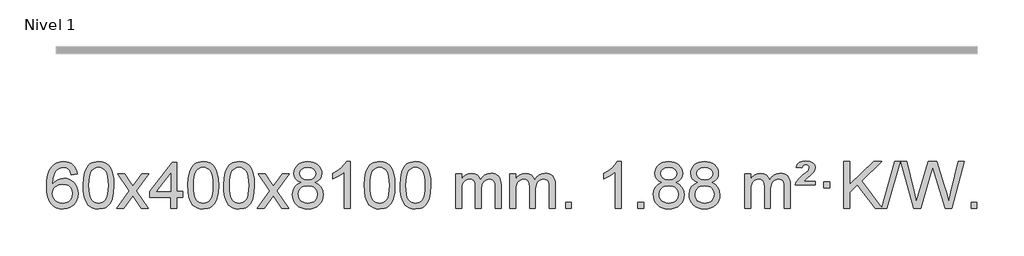
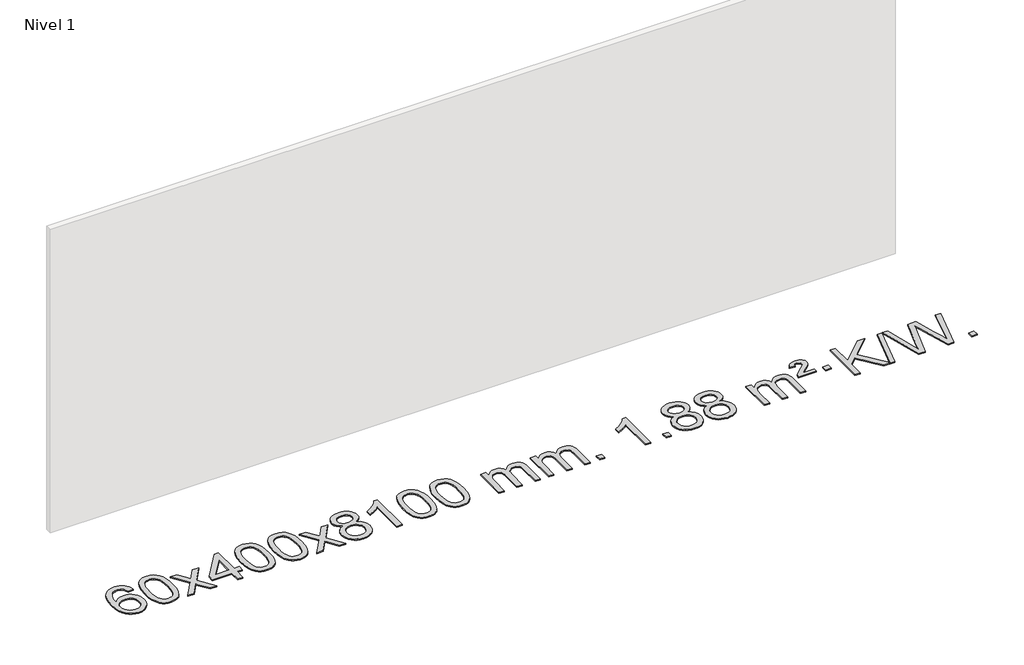
# One storey, part 6 of 18: 1 proxy.
"""IFC4 building model written with IfcOpenShell, lengths in millimetres."""

import ifcopenshell
import ifcopenshell.guid

model = None  # the IFC model being written
_history = None  # IfcOwnerHistory: only IFC2X3 demands one
_inside = {}  # id of a spatial element -> (the spatial element, [elements in it])
_under = {}  # id of a project, library or spatial element -> (it, [spatial elements below it])
_declared = {}  # id of a project -> (the project, [libraries it declares])
_typed = {}  # id of a type object -> (the type object, [elements of that type])
_made_of = {}  # id of a material, layer set ... -> (it, [elements and type objects made of it])


def new_model(schema):
    """Start an empty IFC model of exactly this schema.

    Asked for "IFC4X3", IfcOpenShell would pick the latest addendum, in which some entities
    have other attributes; the version numbers below select the first issue.
    IFC2X3 requires an IfcOwnerHistory on every rooted entity: one is made here for all.
    """
    global model, _history
    if schema == "IFC4X3":
        model = ifcopenshell.file(schema_version=(4, 3, 0, 0))
    else:
        model = ifcopenshell.file(schema=schema)
    _inside.clear()
    _under.clear()
    _declared.clear()
    _typed.clear()
    _made_of.clear()
    _history = None
    if model.schema == "IFC2X3":
        org = make("IfcOrganization", Name="unknown")
        user = make(
            "IfcPersonAndOrganization",
            ThePerson=make("IfcPerson", FamilyName="unknown"),
            TheOrganization=org,
        )
        app = make(
            "IfcApplication",
            ApplicationDeveloper=org,
            Version="unknown",
            ApplicationFullName="unknown",
            ApplicationIdentifier="unknown",
        )
        _history = make(
            "IfcOwnerHistory",
            OwningUser=user,
            OwningApplication=app,
            ChangeAction="ADDED",
            CreationDate=0,
        )
    return model


def make(cls, **values):
    """One entity of the class cls with the attributes given. An attribute that is None is left unset."""
    return model.create_entity(
        cls, **{name: value for name, value in values.items() if value is not None}
    )


def rooted(cls, **values):
    """An entity with a GlobalId (a new one), such as an element, a storey or a relation."""
    return make(cls, GlobalId=ifcopenshell.guid.new(), OwnerHistory=_history, **values)


def si_unit(unit_type, name, prefix=None):
    """IfcSIUnit, for example si_unit("LENGTHUNIT", "METRE", prefix="MILLI")."""
    return make("IfcSIUnit", UnitType=unit_type, Prefix=prefix, Name=name)


def assignment(units):
    """IfcUnitAssignment: the units of a project."""
    return None if units is None else make("IfcUnitAssignment", Units=units)


def point(xyz):
    """IfcCartesianPoint."""
    return None if xyz is None else make("IfcCartesianPoint", Coordinates=xyz)


def direction(xyz):
    """IfcDirection."""
    return None if xyz is None else make("IfcDirection", DirectionRatios=xyz)


def frame(location, z_axis=None, x_axis=None):
    """IfcAxis2Placement3D, a coordinate frame: its origin and axes. An axis left out is left unset."""
    return make(
        "IfcAxis2Placement3D",
        Location=point(location),
        Axis=direction(z_axis),
        RefDirection=direction(x_axis),
    )


def origin():
    """The frame at (0, 0, 0) with its axes left unset."""
    return frame((0.0, 0.0, 0.0))


def origin_with_axes():
    """The frame at (0, 0, 0) with the z axis (0, 0, 1) and the x axis (1, 0, 0) written out."""
    return frame((0.0, 0.0, 0.0), z_axis=(0.0, 0.0, 1.0), x_axis=(1.0, 0.0, 0.0))


def place(relative_to, where):
    """IfcLocalPlacement: puts the frame where relative to a parent placement (None: the world)."""
    return make(
        "IfcLocalPlacement", PlacementRelTo=relative_to, RelativePlacement=where
    )


def context(
    kind, dimensions, precision=None, world=None, true_north=None, identifier=None
):
    """IfcGeometricRepresentationContext, for example the 3D "Model" context."""
    return make(
        "IfcGeometricRepresentationContext",
        ContextIdentifier=identifier,
        ContextType=kind,
        CoordinateSpaceDimension=dimensions,
        Precision=precision,
        WorldCoordinateSystem=world,
        TrueNorth=true_north,
    )


def project(units=None, contexts=None):
    """IfcProject with its units and contexts."""
    return rooted(
        "IfcProject",
        Name="project",
        RepresentationContexts=contexts,
        UnitsInContext=assignment(units),
    )


def spatial(cls, under=None, at=None, **own):
    """A site, building, storey or space (cls), placed at a placement, below another one or the project."""
    s = rooted(cls, ObjectPlacement=at, **own)
    if under is not None:
        _under.setdefault(under.id(), (under, []))[1].append(s)
    return s


def polyline(points):
    """IfcPolyline through the points."""
    return make("IfcPolyline", Points=[point(p) for p in points])


def outline(outer, holes=None, kind="AREA"):
    """IfcArbitraryClosedProfileDef: a profile drawn as a closed curve; with holes, ...WithVoids."""
    if holes is None:
        return make("IfcArbitraryClosedProfileDef", ProfileType=kind, OuterCurve=outer)
    return make(
        "IfcArbitraryProfileDefWithVoids",
        ProfileType=kind,
        OuterCurve=outer,
        InnerCurves=holes,
    )


def extrude(swept, where, along, depth):
    """IfcExtrudedAreaSolid: the profile swept, set in the frame where, extruded along a direction by depth."""
    return make(
        "IfcExtrudedAreaSolid",
        SweptArea=swept,
        Position=where,
        ExtrudedDirection=direction(along),
        Depth=depth,
    )


def shape(context_of_items, identifier, shape_type, items):
    """IfcShapeRepresentation: the items that make up one representation, for example the "Body"."""
    return make(
        "IfcShapeRepresentation",
        ContextOfItems=context_of_items,
        RepresentationIdentifier=identifier,
        RepresentationType=shape_type,
        Items=items,
    )


def made_of(thing, what):
    """Note that an element or type object is made of a material, layer set ...; save() writes the relation."""
    if what is not None:
        _made_of.setdefault(what.id(), (what, []))[1].append(thing)
    return thing


def element(
    cls,
    number,
    at=None,
    inside=None,
    cuts=None,
    type_object=None,
    material=None,
    context=None,
    identifier="Body",
    shape_type=None,
    held_by="IfcProductDefinitionShape",
    body=None,
    shapes=None,
    **own,
):
    """One element of the class cls, such as IfcWall. Its Tag is "e" and its number.

    at: its placement. inside: the storey or other place that contains it. cuts: it is an
    opening in that element (IfcRelVoidsElement). A single representation is given by context,
    identifier, shape_type and body (its items); several are given by shapes. held_by: the class
    of the entity that holds the representations. save() writes the other relations.
    """
    e = rooted(cls, Tag="e%d" % number, ObjectPlacement=at, **own)
    if body is not None:
        shapes = [shape(context, identifier, shape_type, body)]
    if shapes is not None:
        e.Representation = make(held_by, Representations=shapes)
    if inside is not None:
        _inside.setdefault(inside.id(), (inside, []))[1].append(e)
    if cuts is not None:
        rooted(
            "IfcRelVoidsElement", RelatingBuildingElement=cuts, RelatedOpeningElement=e
        )
    if type_object is not None:
        _typed.setdefault(type_object.id(), (type_object, []))[1].append(e)
    return made_of(e, material)


def aggregate(whole, parts):
    """IfcRelAggregates: a whole, such as a stair, and the parts it consists of."""
    return rooted("IfcRelAggregates", RelatingObject=whole, RelatedObjects=parts)


def save(model, path):
    """Write the relations noted so far, then the file.

    IfcRelAggregates (storeys below a building ...), IfcRelContainedInSpatialStructure (elements
    in a storey), IfcRelDefinesByType, IfcRelAssociatesMaterial and IfcRelDeclares: one each for
    every whole, place, type object, material and project.
    """
    for whole, parts in _under.values():
        aggregate(whole, parts)
    for where, things in _inside.values():
        rooted(
            "IfcRelContainedInSpatialStructure",
            RelatedElements=things,
            RelatingStructure=where,
        )
    for kind, things in _typed.values():
        rooted("IfcRelDefinesByType", RelatedObjects=things, RelatingType=kind)
    for what, things in _made_of.values():
        rooted("IfcRelAssociatesMaterial", RelatedObjects=things, RelatingMaterial=what)
    for by, libraries in _declared.values():
        rooted("IfcRelDeclares", RelatingContext=by, RelatedDefinitions=libraries)
    model.write(path)


model = new_model("IFC4")

# Units and contexts
model_context = context("Model", 3, world=origin())
ifc_project = project(units=[si_unit("LENGTHUNIT", "METRE", prefix="MILLI")], contexts=[model_context])

# Site, building, storey
site = spatial("IfcSite", under=ifc_project)
building = spatial("IfcBuilding", under=site)
storey = spatial("IfcBuildingStorey", under=building, Name="Nivel 1", Elevation=0.0)

# Proxy
placement = place(None, origin())
element("IfcBuildingElementProxy", 1, Name="Texto de modelo 1", ObjectType="Texto de modelo 1", at=placement, inside=storey, context=model_context, shape_type="SweptSolid", body=[
    extrude(outline(polyline([(-25652.5741406, -6125.4890419), (-25702.8022957, -6131.7675613), (-25710.8956996, -6106.874213), (-25721.8340576, -6089.8780648), (-25744.6182158, -6074.2062918), (-25772.1603145, -6068.9823675), (-25795.5085585, -6072.0235253), (-25817.4833763, -6081.1469988), (-25836.3557227, -6100.3627017), (-25851.7699783, -6126.8134171), (-25862.1810387, -6164.227016), (-25866.0437997, -6216.3313693), (-25845.8961291, -6192.8237098), (-25821.7508075, -6176.2567573), (-25794.9567355, -6166.434308), (-25766.8628138, -6163.1601582), (-25742.7297549, -6165.398107), (-25720.4606315, -6172.1119534), (-25700.0554435, -6183.3016975), (-25681.5141909, -6198.9673391), (-25666.1060667, -6218.1769106), (-25655.1002637, -6239.9984443), (-25648.4967818, -6264.4319401), (-25646.2956212, -6291.4773982), (-25650.440425, -6327.4439945), (-25662.8748365, -6360.786366), (-25682.568786, -6389.0642287), (-25708.4922039, -6409.8372987), (-25739.4678679, -6422.602804), (-25774.3185556, -6426.8579724), (-25804.2610843, -6424.0375437), (-25831.3034766, -6415.5762579), (-25855.4457325, -6401.4741147), (-25876.6878521, -6381.7311143), (-25894.005897, -6355.5133908), (-25906.3759291, -6321.9870783), (-25913.7979483, -6281.1521768), (-25916.2719548, -6233.0086864), (-25913.5251025, -6179.0342663), (-25905.2845458, -6132.9693092), (-25891.5502847, -6094.8138149), (-25872.3223191, -6064.5677835), (-25851.481804, -6044.5243462), (-25827.3180883, -6030.2076052), (-25799.8311719, -6021.6175606), (-25769.0210548, -6018.7542124), (-25745.8874087, -6020.5261773), (-25724.9487918, -6025.8420722), (-25706.2052042, -6034.7018969), (-25689.6566457, -6047.1056515), (-25675.7507063, -6062.6364031), (-25664.9349757, -6080.8772186), (-25657.2094538, -6101.8280983), (-25652.5741406, -6125.4890419)]), holes=[polyline([(-25866.0437997, -6290.6925832), (-25863.1375319, -6312.9494439), (-25854.4187286, -6334.2007605), (-25840.8806712, -6352.472233), (-25823.516641, -6365.7895612), (-25802.5596301, -6373.9197533), (-25778.2426302, -6376.6298173), (-25745.0964624, -6371.0134855), (-25731.1813259, -6363.9930708), (-25719.0381544, -6354.1644901), (-25709.188114, -6341.9262824), (-25702.1523708, -6327.6769865), (-25696.5237763, -6293.1451299), (-25702.0787944, -6259.9989621), (-25709.0225671, -6246.3781312), (-25718.7438488, -6234.725469), (-25730.9238085, -6225.3904634), (-25745.2436152, -6218.7226022), (-25780.3027693, -6213.3883133), (-25813.3998862, -6218.7226022), (-25841.0768749, -6234.725469), (-25851.9999045, -6246.2248471), (-25859.8020685, -6259.3858254), (-25864.4833669, -6274.2084042), (-25866.0437997, -6290.6925832)])]), origin_with_axes(), (0.0, 0.0, 1.0), 10.0),
    extrude(outline(polyline([(-25602.3459855, -6222.9041943), (-25598.6549029, -6158.5861588), (-25587.5816548, -6107.2911459), (-25569.236606, -6068.2343407), (-25557.378543, -6053.0009605), (-25543.730121, -6040.6309284), (-25528.2453547, -6031.0598651), (-25510.8782588, -6024.2233914), (-25470.4970785, -6018.7542124), (-25439.5459399, -6021.991574), (-25411.832163, -6031.7036586), (-25388.6555973, -6047.5103217), (-25371.3160926, -6069.0314184), (-25358.2194935, -6096.0830078), (-25347.7716449, -6128.4811488), (-25340.9290398, -6169.6226186), (-25338.6481714, -6222.9041943), (-25342.3024659, -6286.8543477), (-25353.2653493, -6338.0267333), (-25371.5000336, -6377.1203266), (-25383.3305054, -6392.3996922), (-25396.9697304, -6404.8341036), (-25412.4728908, -6414.4695462), (-25429.8951689, -6421.3520052), (-25470.4970785, -6426.8579724), (-25498.1618045, -6424.4667394), (-25522.6872709, -6417.2930405), (-25544.0734775, -6405.3368757), (-25562.3204245, -6388.5982449), (-25579.8316074, -6358.3399508), (-25592.3395953, -6320.6381776), (-25599.844388, -6275.4929255), (-25602.3459855, -6222.9041943)]), holes=[polyline([(-25552.1178305, -6222.8060924), (-25550.6463025, -6266.4706195), (-25546.2317185, -6301.8148822), (-25538.8740786, -6328.8388804), (-25528.5733828, -6347.5426142), (-25516.1144459, -6360.2682656), (-25502.2820829, -6369.3580165), (-25487.0762937, -6374.8118671), (-25470.4970785, -6376.6298173), (-25453.9178632, -6374.8057357), (-25438.7120741, -6369.3334911), (-25424.8797111, -6360.2130833), (-25412.4207742, -6347.4445124), (-25402.1200783, -6328.7101217), (-25394.7624384, -6301.6922549), (-25390.3478545, -6266.3909118), (-25388.8763265, -6222.8060924), (-25390.2988035, -6180.2973278), (-25394.5662347, -6145.5753989), (-25401.6786199, -6118.6403055), (-25411.6359592, -6099.4920476), (-25423.8864297, -6086.1440625), (-25437.8782082, -6076.6097875), (-25453.6112949, -6070.8892225), (-25471.0856897, -6068.9823675), (-25487.5790658, -6070.6623619), (-25502.5273375, -6075.7023452), (-25515.9305049, -6084.1023175), (-25527.7885679, -6095.8622786), (-25538.4326203, -6116.708925), (-25546.0355148, -6144.8151094), (-25550.5972516, -6180.1808319), (-25552.1178305, -6222.8060924)])]), origin_with_axes(), (0.0, 0.0, 1.0), 10.0),
    extrude(outline(polyline([(-25313.5340939, -6420.579453), (-25206.2106531, -6272.2494325), (-25307.2555745, -6125.4890419), (-25246.8248254, -6125.4890419), (-25198.0681983, -6196.122385), (-25175.3085655, -6229.4770192), (-25155.5900906, -6202.2047007), (-25100.0644348, -6125.4890419), (-25039.6336857, -6125.4890419), (-25145.7799041, -6272.2494325), (-25043.5577603, -6420.579453), (-25103.9885094, -6420.579453), (-25165.498379, -6331.4048574), (-25176.7800935, -6315.1199477), (-25253.1033448, -6420.579453), (-25313.5340939, -6420.579453)])), origin_with_axes(), (0.0, 0.0, 1.0), 10.0),
    extrude(outline(polyline([(-24848.9236594, -6420.579453), (-24848.9236594, -6326.4016622), (-25031.0007216, -6326.4016622), (-25031.0007216, -6276.1735072), (-24836.3666207, -6025.0327318), (-24798.6955043, -6025.0327318), (-24798.6955043, -6276.1735072), (-24748.4673493, -6276.1735072), (-24748.4673493, -6326.4016622), (-24798.6955043, -6326.4016622), (-24798.6955043, -6420.579453), (-24848.9236594, -6420.579453)]), holes=[polyline([(-24848.9236594, -6276.1735072), (-24848.9236594, -6120.9763561), (-24969.1965464, -6276.1735072), (-24848.9236594, -6276.1735072)])]), origin_with_axes(), (0.0, 0.0, 1.0), 10.0),
    extrude(outline(polyline([(-24704.5177136, -6222.9041943), (-24700.8266309, -6158.5861588), (-24689.7533828, -6107.2911459), (-24671.408334, -6068.2343407), (-24659.550271, -6053.0009605), (-24645.901849, -6040.6309284), (-24630.4170827, -6031.0598651), (-24613.0499869, -6024.2233914), (-24572.6688065, -6018.7542124), (-24541.717668, -6021.991574), (-24514.003891, -6031.7036586), (-24490.8273253, -6047.5103217), (-24473.4878206, -6069.0314184), (-24460.3912216, -6096.0830078), (-24449.9433729, -6128.4811488), (-24443.1007678, -6169.6226186), (-24440.8198994, -6222.9041943), (-24444.4741939, -6286.8543477), (-24455.4370774, -6338.0267333), (-24473.6717616, -6377.1203266), (-24485.5022334, -6392.3996922), (-24499.1414584, -6404.8341036), (-24514.6446188, -6414.4695462), (-24532.066897, -6421.3520052), (-24572.6688065, -6426.8579724), (-24600.3335326, -6424.4667394), (-24624.8589989, -6417.2930405), (-24646.2452055, -6405.3368757), (-24664.4921525, -6388.5982449), (-24682.0033355, -6358.3399508), (-24694.5113233, -6320.6381776), (-24702.016116, -6275.4929255), (-24704.5177136, -6222.9041943)]), holes=[polyline([(-24654.2895585, -6222.8060924), (-24652.8180305, -6266.4706195), (-24648.4034466, -6301.8148822), (-24641.0458067, -6328.8388804), (-24630.7451108, -6347.5426142), (-24618.2861739, -6360.2682656), (-24604.4538109, -6369.3580165), (-24589.2480218, -6374.8118671), (-24572.6688065, -6376.6298173), (-24556.0895913, -6374.8057357), (-24540.8838021, -6369.3334911), (-24527.0514391, -6360.2130833), (-24514.5925022, -6347.4445124), (-24504.2918063, -6328.7101217), (-24496.9341664, -6301.6922549), (-24492.5195825, -6266.3909118), (-24491.0480545, -6222.8060924), (-24492.4705316, -6180.2973278), (-24496.7379627, -6145.5753989), (-24503.8503479, -6118.6403055), (-24513.8076873, -6099.4920476), (-24526.0581577, -6086.1440625), (-24540.0499363, -6076.6097875), (-24555.7830229, -6070.8892225), (-24573.2574177, -6068.9823675), (-24589.7507938, -6070.6623619), (-24604.6990656, -6075.7023452), (-24618.1022329, -6084.1023175), (-24629.9602959, -6095.8622786), (-24640.6043483, -6116.708925), (-24648.2072429, -6144.8151094), (-24652.7689796, -6180.1808319), (-24654.2895585, -6222.8060924)])]), origin_with_axes(), (0.0, 0.0, 1.0), 10.0),
    extrude(outline(polyline([(-24396.8702638, -6222.9041943), (-24393.1791811, -6158.5861588), (-24382.105933, -6107.2911459), (-24363.7608842, -6068.2343407), (-24351.9028212, -6053.0009605), (-24338.2543992, -6040.6309284), (-24322.7696329, -6031.0598651), (-24305.402537, -6024.2233914), (-24265.0213567, -6018.7542124), (-24234.0702182, -6021.991574), (-24206.3564412, -6031.7036586), (-24183.1798755, -6047.5103217), (-24165.8403708, -6069.0314184), (-24152.7437718, -6096.0830078), (-24142.2959231, -6128.4811488), (-24135.453318, -6169.6226186), (-24133.1724496, -6222.9041943), (-24136.8267441, -6286.8543477), (-24147.7896275, -6338.0267333), (-24166.0243118, -6377.1203266), (-24177.8547836, -6392.3996922), (-24191.4940086, -6404.8341036), (-24206.997169, -6414.4695462), (-24224.4194471, -6421.3520052), (-24265.0213567, -6426.8579724), (-24292.6860827, -6424.4667394), (-24317.2115491, -6417.2930405), (-24338.5977557, -6405.3368757), (-24356.8447027, -6388.5982449), (-24374.3558856, -6358.3399508), (-24386.8638735, -6320.6381776), (-24394.3686662, -6275.4929255), (-24396.8702638, -6222.9041943)]), holes=[polyline([(-24346.6421087, -6222.8060924), (-24345.1705807, -6266.4706195), (-24340.7559968, -6301.8148822), (-24333.3983568, -6328.8388804), (-24323.097661, -6347.5426142), (-24310.6387241, -6360.2682656), (-24296.8063611, -6369.3580165), (-24281.6005719, -6374.8118671), (-24265.0213567, -6376.6298173), (-24248.4421414, -6374.8057357), (-24233.2363523, -6369.3334911), (-24219.4039893, -6360.2130833), (-24206.9450524, -6347.4445124), (-24196.6443565, -6328.7101217), (-24189.2867166, -6301.6922549), (-24184.8721327, -6266.3909118), (-24183.4006047, -6222.8060924), (-24184.8230817, -6180.2973278), (-24189.0905129, -6145.5753989), (-24196.2028981, -6118.6403055), (-24206.1602375, -6099.4920476), (-24218.4107079, -6086.1440625), (-24232.4024864, -6076.6097875), (-24248.1355731, -6070.8892225), (-24265.6099679, -6068.9823675), (-24282.103344, -6070.6623619), (-24297.0516157, -6075.7023452), (-24310.4547831, -6084.1023175), (-24322.3128461, -6095.8622786), (-24332.9568985, -6116.708925), (-24340.559793, -6144.8151094), (-24345.1215298, -6180.1808319), (-24346.6421087, -6222.8060924)])]), origin_with_axes(), (0.0, 0.0, 1.0), 10.0),
    extrude(outline(polyline([(-24108.0583721, -6420.579453), (-24000.7349313, -6272.2494325), (-24101.7798527, -6125.4890419), (-24041.3491036, -6125.4890419), (-23992.5924765, -6196.122385), (-23969.8328437, -6229.4770192), (-23950.1143688, -6202.2047007), (-23894.588713, -6125.4890419), (-23834.1579639, -6125.4890419), (-23940.3041823, -6272.2494325), (-23838.0820385, -6420.579453), (-23898.5127876, -6420.579453), (-23960.0226572, -6331.4048574), (-23971.3043717, -6315.1199477), (-24047.627623, -6420.579453), (-24108.0583721, -6420.579453)])), origin_with_axes(), (0.0, 0.0, 1.0), 10.0),
    extrude(outline(polyline([(-23733.50545, -6199.2616447), (-23760.3976239, -6186.0178929), (-23779.2699702, -6168.0652515), (-23790.4167947, -6145.7716026), (-23794.1324029, -6119.5048281), (-23792.1090519, -6099.0199324), (-23786.038999, -6080.2395565), (-23775.9222441, -6063.1637006), (-23761.7587873, -6047.7923645), (-23744.2292102, -6035.088173), (-23724.0140946, -6026.0137504), (-23701.1134404, -6020.5690969), (-23675.5272476, -6018.7542124), (-23649.8184275, -6020.6120165), (-23626.746095, -6026.1854287), (-23606.3102502, -6035.4744491), (-23588.510893, -6048.4790776), (-23574.0899188, -6064.1508506), (-23563.7892229, -6081.4413044), (-23557.6088054, -6100.3504389), (-23555.5486662, -6120.8782543), (-23559.2152235, -6146.2989001), (-23570.2148951, -6168.2124043), (-23588.6703085, -6186.0546811), (-23614.7040911, -6199.2616447), (-23583.7897407, -6215.1909351), (-23561.2876254, -6238.6495436), (-23547.565627, -6268.5092989), (-23542.9916275, -6303.6420295), (-23545.2602331, -6328.6947933), (-23552.06605, -6351.6628926), (-23563.4090782, -6372.5463272), (-23579.2893177, -6391.3450971), (-23598.8729025, -6406.88198), (-23621.325967, -6417.9797536), (-23646.648511, -6424.6384177), (-23674.8405346, -6426.8579724), (-23703.0325581, -6424.6292206), (-23728.3551021, -6417.9429654), (-23750.8081666, -6406.7992066), (-23770.3917514, -6391.1979443), (-23786.2719909, -6372.26735), (-23797.6150191, -6351.135595), (-23804.420836, -6327.8026795), (-23806.6894416, -6302.2686033), (-23801.9315012, -6265.7747094), (-23787.6576797, -6235.7555386), (-23764.6037414, -6213.2411605), (-23733.50545, -6199.2616447)]), holes=[polyline([(-23756.4612865, -6300.5027698), (-23754.3643592, -6319.7184726), (-23748.0735771, -6338.3210389), (-23736.4607687, -6354.5446349), (-23718.3977628, -6366.623427), (-23696.7663015, -6374.1282197), (-23674.4481271, -6376.6298173), (-23640.259627, -6371.3691048), (-23626.3659503, -6364.7932141), (-23614.6059892, -6355.5869672), (-23598.5663342, -6331.6869002), (-23593.2197826, -6302.0723996), (-23598.7380125, -6271.9551269), (-23615.2927023, -6247.5277625), (-23627.3714944, -6238.0854579), (-23641.5349513, -6231.3409547), (-23676.1158588, -6225.9453521), (-23709.8261123, -6231.2673783), (-23723.5634391, -6237.919911), (-23735.2222327, -6247.2334569), (-23751.1515231, -6271.1948375), (-23756.4612865, -6300.5027698)]), polyline([(-23743.9042478, -6120.9763561), (-23739.4528756, -6142.902123), (-23726.0987592, -6160.413306), (-23704.234306, -6171.8912243), (-23674.2519234, -6175.717197), (-23644.9685165, -6171.9157497), (-23623.4351571, -6160.5114079), (-23610.1914053, -6143.5888361), (-23605.7768213, -6123.232699), (-23610.3385581, -6102.1040098), (-23624.0237683, -6084.629615), (-23645.8514333, -6072.8941794), (-23674.8405346, -6068.9823675), (-23704.0135768, -6072.8083402), (-23725.8044536, -6084.2862585), (-23739.3792992, -6101.1107284), (-23743.9042478, -6120.9763561)])]), origin_with_axes(), (0.0, 0.0, 1.0), 10.0),
    extrude(outline(polyline([(-23310.6864103, -6420.579453), (-23360.9145653, -6420.579453), (-23360.9145653, -6107.4382987), (-23381.8838391, -6124.3976587), (-23408.49397, -6141.3324932), (-23461.3708755, -6166.6918254), (-23461.3708755, -6119.2105225), (-23421.9216629, -6097.7507395), (-23387.7454255, -6072.219729), (-23360.8042007, -6045.0700378), (-23343.0600258, -6018.7542124), (-23310.6864103, -6018.7542124), (-23310.6864103, -6420.579453)])), origin_with_axes(), (0.0, 0.0, 1.0), 10.0),
    extrude(outline(polyline([(-23191.394542, -6222.9041943), (-23187.7034593, -6158.5861588), (-23176.6302112, -6107.2911459), (-23158.2851624, -6068.2343407), (-23146.4270994, -6053.0009605), (-23132.7786774, -6040.6309284), (-23117.2939111, -6031.0598651), (-23099.9268152, -6024.2233914), (-23059.5456349, -6018.7542124), (-23028.5944964, -6021.991574), (-23000.8807194, -6031.7036586), (-22977.7041537, -6047.5103217), (-22960.364649, -6069.0314184), (-22947.26805, -6096.0830078), (-22936.8202013, -6128.4811488), (-22929.9775962, -6169.6226186), (-22927.6967278, -6222.9041943), (-22931.3510223, -6286.8543477), (-22942.3139058, -6338.0267333), (-22960.54859, -6377.1203266), (-22972.3790618, -6392.3996922), (-22986.0182868, -6404.8341036), (-23001.5214472, -6414.4695462), (-23018.9437253, -6421.3520052), (-23059.5456349, -6426.8579724), (-23087.2103609, -6424.4667394), (-23111.7358273, -6417.2930405), (-23133.1220339, -6405.3368757), (-23151.3689809, -6388.5982449), (-23168.8801639, -6358.3399508), (-23181.3881517, -6320.6381776), (-23188.8929444, -6275.4929255), (-23191.394542, -6222.9041943)]), holes=[polyline([(-23141.1663869, -6222.8060924), (-23139.6948589, -6266.4706195), (-23135.280275, -6301.8148822), (-23127.9226351, -6328.8388804), (-23117.6219392, -6347.5426142), (-23105.1630023, -6360.2682656), (-23091.3306393, -6369.3580165), (-23076.1248501, -6374.8118671), (-23059.5456349, -6376.6298173), (-23042.9664196, -6374.8057357), (-23027.7606305, -6369.3334911), (-23013.9282675, -6360.2130833), (-23001.4693306, -6347.4445124), (-22991.1686347, -6328.7101217), (-22983.8109948, -6301.6922549), (-22979.3964109, -6266.3909118), (-22977.9248829, -6222.8060924), (-22979.3473599, -6180.2973278), (-22983.6147911, -6145.5753989), (-22990.7271763, -6118.6403055), (-23000.6845157, -6099.4920476), (-23012.9349861, -6086.1440625), (-23026.9267646, -6076.6097875), (-23042.6598513, -6070.8892225), (-23060.1342461, -6068.9823675), (-23076.6276222, -6070.6623619), (-23091.5758939, -6075.7023452), (-23104.9790613, -6084.1023175), (-23116.8371243, -6095.8622786), (-23127.4811767, -6116.708925), (-23135.0840712, -6144.8151094), (-23139.645808, -6180.1808319), (-23141.1663869, -6222.8060924)])]), origin_with_axes(), (0.0, 0.0, 1.0), 10.0),
    extrude(outline(polyline([(-22883.7470921, -6222.9041943), (-22880.0560094, -6158.5861588), (-22868.9827614, -6107.2911459), (-22850.6377126, -6068.2343407), (-22838.7796496, -6053.0009605), (-22825.1312276, -6040.6309284), (-22809.6464612, -6031.0598651), (-22792.2793654, -6024.2233914), (-22751.8981851, -6018.7542124), (-22720.9470465, -6021.991574), (-22693.2332696, -6031.7036586), (-22670.0567039, -6047.5103217), (-22652.7171992, -6069.0314184), (-22639.6206001, -6096.0830078), (-22629.1727515, -6128.4811488), (-22622.3301463, -6169.6226186), (-22620.049278, -6222.9041943), (-22623.7035725, -6286.8543477), (-22634.6664559, -6338.0267333), (-22652.9011401, -6377.1203266), (-22664.731612, -6392.3996922), (-22678.3708369, -6404.8341036), (-22693.8739974, -6414.4695462), (-22711.2962755, -6421.3520052), (-22751.8981851, -6426.8579724), (-22779.5629111, -6424.4667394), (-22804.0883774, -6417.2930405), (-22825.4745841, -6405.3368757), (-22843.721531, -6388.5982449), (-22861.232714, -6358.3399508), (-22873.7407019, -6320.6381776), (-22881.2454946, -6275.4929255), (-22883.7470921, -6222.9041943)]), holes=[polyline([(-22833.518937, -6222.8060924), (-22832.0474091, -6266.4706195), (-22827.6328251, -6301.8148822), (-22820.2751852, -6328.8388804), (-22809.9744894, -6347.5426142), (-22797.5155525, -6360.2682656), (-22783.6831894, -6369.3580165), (-22768.4774003, -6374.8118671), (-22751.8981851, -6376.6298173), (-22735.3189698, -6374.8057357), (-22720.1131807, -6369.3334911), (-22706.2808176, -6360.2130833), (-22693.8218807, -6347.4445124), (-22683.5211849, -6328.7101217), (-22676.163545, -6301.6922549), (-22671.748961, -6266.3909118), (-22670.2774331, -6222.8060924), (-22671.6999101, -6180.2973278), (-22675.9673412, -6145.5753989), (-22683.0797265, -6118.6403055), (-22693.0370658, -6099.4920476), (-22705.2875363, -6086.1440625), (-22719.2793148, -6076.6097875), (-22735.0124015, -6070.8892225), (-22752.4867962, -6068.9823675), (-22768.9801724, -6070.6623619), (-22783.9284441, -6075.7023452), (-22797.3316115, -6084.1023175), (-22809.1896744, -6095.8622786), (-22819.8337268, -6116.708925), (-22827.4366214, -6144.8151094), (-22831.9983581, -6180.1808319), (-22833.518937, -6222.8060924)])]), origin_with_axes(), (0.0, 0.0, 1.0), 10.0),
    extrude(outline(polyline([(-22406.5796189, -6420.579453), (-22406.5796189, -6125.4890419), (-22356.3514638, -6125.4890419), (-22356.3514638, -6174.0494653), (-22341.2437766, -6151.7435536), (-22321.8196072, -6134.2691589), (-22298.7411434, -6122.9751816), (-22272.6705727, -6119.2105225), (-22244.7360665, -6123.048758), (-22222.3443157, -6134.5634645), (-22205.6179477, -6152.9943524), (-22194.6795897, -6177.5811324), (-22176.3713291, -6152.0439906), (-22155.4878945, -6133.803175), (-22132.0292859, -6122.8586857), (-22105.9955034, -6119.2105225), (-22085.8876867, -6120.7280358), (-22068.2385479, -6125.2805755), (-22053.0480872, -6132.8681416), (-22040.3163045, -6143.4907342), (-22030.2516663, -6157.2709806), (-22023.0626389, -6174.3315082), (-22018.7492225, -6194.6723168), (-22017.3114171, -6218.2934066), (-22017.3114171, -6420.579453), (-22067.5395722, -6420.579453), (-22067.5395722, -6239.875817), (-22068.7045318, -6214.8230531), (-22072.1994108, -6197.9372695), (-22078.7477103, -6186.3735121), (-22089.0729316, -6177.2868268), (-22102.3534716, -6171.4007149), (-22117.7677272, -6169.4386776), (-22144.9787321, -6174.4663982), (-22167.1620165, -6189.54956), (-22175.7673895, -6201.1194488), (-22181.9140845, -6215.7182326), (-22186.8314405, -6254.0024856), (-22186.8314405, -6420.579453), (-22237.0595955, -6420.579453), (-22237.0595955, -6234.2840106), (-22239.9658633, -6205.8835206), (-22248.6846666, -6185.6254854), (-22264.0253458, -6173.4853796), (-22286.7972413, -6169.4386776), (-22306.1478342, -6172.1364789), (-22323.9778483, -6180.2298828), (-22338.6931281, -6193.5226856), (-22348.6995183, -6211.8186835), (-22354.4384775, -6237.2025411), (-22356.3514638, -6271.7589232), (-22356.3514638, -6420.579453), (-22406.5796189, -6420.579453)])), origin_with_axes(), (0.0, 0.0, 1.0), 10.0),
    extrude(outline(polyline([(-21941.9691845, -6420.579453), (-21941.9691845, -6125.4890419), (-21891.7410294, -6125.4890419), (-21891.7410294, -6174.0494653), (-21876.6333421, -6151.7435536), (-21857.2091728, -6134.2691589), (-21834.130709, -6122.9751816), (-21808.0601382, -6119.2105225), (-21780.1256321, -6123.048758), (-21757.7338813, -6134.5634645), (-21741.0075132, -6152.9943524), (-21730.0691552, -6177.5811324), (-21711.7608946, -6152.0439906), (-21690.87746, -6133.803175), (-21667.4188515, -6122.8586857), (-21641.3850689, -6119.2105225), (-21621.2772522, -6120.7280358), (-21603.6281135, -6125.2805755), (-21588.4376528, -6132.8681416), (-21575.7058701, -6143.4907342), (-21565.6412318, -6157.2709806), (-21558.4522045, -6174.3315082), (-21554.1387881, -6194.6723168), (-21552.7009826, -6218.2934066), (-21552.7009826, -6420.579453), (-21602.9291377, -6420.579453), (-21602.9291377, -6239.875817), (-21604.0940974, -6214.8230531), (-21607.5889763, -6197.9372695), (-21614.1372758, -6186.3735121), (-21624.4624972, -6177.2868268), (-21637.7430372, -6171.4007149), (-21653.1572928, -6169.4386776), (-21680.3682977, -6174.4663982), (-21702.551582, -6189.54956), (-21711.156955, -6201.1194488), (-21717.30365, -6215.7182326), (-21722.221006, -6254.0024856), (-21722.221006, -6420.579453), (-21772.4491611, -6420.579453), (-21772.4491611, -6234.2840106), (-21775.3554289, -6205.8835206), (-21784.0742321, -6185.6254854), (-21799.4149113, -6173.4853796), (-21822.1868068, -6169.4386776), (-21841.5373998, -6172.1364789), (-21859.3674138, -6180.2298828), (-21874.0826936, -6193.5226856), (-21884.0890839, -6211.8186835), (-21889.828043, -6237.2025411), (-21891.7410294, -6271.7589232), (-21891.7410294, -6420.579453), (-21941.9691845, -6420.579453)])), origin_with_axes(), (0.0, 0.0, 1.0), 10.0),
    extrude(outline(polyline([(-21464.8017113, -6420.579453), (-21464.8017113, -6370.3512979), (-21414.5735562, -6370.3512979), (-21414.5735562, -6420.579453), (-21464.8017113, -6420.579453)])), origin_with_axes(), (0.0, 0.0, 1.0), 10.0),
    extrude(outline(polyline([(-20987.634238, -6420.579453), (-21037.8623931, -6420.579453), (-21037.8623931, -6107.4382987), (-21058.8316668, -6124.3976587), (-21085.4417978, -6141.3324932), (-21138.3187033, -6166.6918254), (-21138.3187033, -6119.2105225), (-21098.8694907, -6097.7507395), (-21064.6932533, -6072.219729), (-21037.7520285, -6045.0700378), (-21020.0078536, -6018.7542124), (-20987.634238, -6018.7542124), (-20987.634238, -6420.579453)])), origin_with_axes(), (0.0, 0.0, 1.0), 10.0),
    extrude(outline(polyline([(-20843.2282922, -6420.579453), (-20843.2282922, -6370.3512979), (-20793.0001371, -6370.3512979), (-20793.0001371, -6420.579453), (-20843.2282922, -6420.579453)])), origin_with_axes(), (0.0, 0.0, 1.0), 10.0),
    extrude(outline(polyline([(-20638.1953936, -6199.2616447), (-20665.0875674, -6186.0178929), (-20683.9599138, -6168.0652515), (-20695.1067382, -6145.7716026), (-20698.8223464, -6119.5048281), (-20696.7989954, -6099.0199324), (-20690.7289425, -6080.2395565), (-20680.6121876, -6063.1637006), (-20666.4487308, -6047.7923645), (-20648.9191537, -6035.088173), (-20628.7040381, -6026.0137504), (-20605.8033839, -6020.5690969), (-20580.2171911, -6018.7542124), (-20554.508371, -6020.6120165), (-20531.4360386, -6026.1854287), (-20511.0001937, -6035.4744491), (-20493.2008365, -6048.4790776), (-20478.7798623, -6064.1508506), (-20468.4791665, -6081.4413044), (-20462.2987489, -6100.3504389), (-20460.2386098, -6120.8782543), (-20463.905167, -6146.2989001), (-20474.9048386, -6168.2124043), (-20493.3602521, -6186.0546811), (-20519.3940346, -6199.2616447), (-20488.4796843, -6215.1909351), (-20465.9775689, -6238.6495436), (-20452.2555705, -6268.5092989), (-20447.681571, -6303.6420295), (-20449.9501766, -6328.6947933), (-20456.7559935, -6351.6628926), (-20468.0990217, -6372.5463272), (-20483.9792612, -6391.3450971), (-20503.5628461, -6406.88198), (-20526.0159105, -6417.9797536), (-20551.3384545, -6424.6384177), (-20579.5304781, -6426.8579724), (-20607.7225016, -6424.6292206), (-20633.0450456, -6417.9429654), (-20655.4981101, -6406.7992066), (-20675.0816949, -6391.1979443), (-20690.9619344, -6372.26735), (-20702.3049626, -6351.135595), (-20709.1107795, -6327.8026795), (-20711.3793851, -6302.2686033), (-20706.6214447, -6265.7747094), (-20692.3476233, -6235.7555386), (-20669.2936849, -6213.2411605), (-20638.1953936, -6199.2616447)]), holes=[polyline([(-20661.1512301, -6300.5027698), (-20659.0543027, -6319.7184726), (-20652.7635206, -6338.3210389), (-20641.1507123, -6354.5446349), (-20623.0877063, -6366.623427), (-20601.456245, -6374.1282197), (-20579.1380706, -6376.6298173), (-20544.9495705, -6371.3691048), (-20531.0558938, -6364.7932141), (-20519.2959327, -6355.5869672), (-20503.2562777, -6331.6869002), (-20497.9097261, -6302.0723996), (-20503.427956, -6271.9551269), (-20519.9826458, -6247.5277625), (-20532.061438, -6238.0854579), (-20546.2248948, -6231.3409547), (-20580.8058023, -6225.9453521), (-20614.5160558, -6231.2673783), (-20628.2533826, -6237.919911), (-20639.9121762, -6247.2334569), (-20655.8414666, -6271.1948375), (-20661.1512301, -6300.5027698)]), polyline([(-20648.5941913, -6120.9763561), (-20644.1428192, -6142.902123), (-20630.7887027, -6160.413306), (-20608.9242495, -6171.8912243), (-20578.9418669, -6175.717197), (-20549.6584601, -6171.9157497), (-20528.1251006, -6160.5114079), (-20514.8813488, -6143.5888361), (-20510.4667648, -6123.232699), (-20515.0285016, -6102.1040098), (-20528.7137118, -6084.629615), (-20550.5413768, -6072.8941794), (-20579.5304781, -6068.9823675), (-20608.7035203, -6072.8083402), (-20630.4943971, -6084.2862585), (-20644.0692428, -6101.1107284), (-20648.5941913, -6120.9763561)])]), origin_with_axes(), (0.0, 0.0, 1.0), 10.0),
    extrude(outline(polyline([(-20330.5479437, -6199.2616447), (-20357.4401176, -6186.0178929), (-20376.3124639, -6168.0652515), (-20387.4592884, -6145.7716026), (-20391.1748965, -6119.5048281), (-20389.1515456, -6099.0199324), (-20383.0814926, -6080.2395565), (-20372.9647378, -6063.1637006), (-20358.801281, -6047.7923645), (-20341.2717039, -6035.088173), (-20321.0565883, -6026.0137504), (-20298.1559341, -6020.5690969), (-20272.5697413, -6018.7542124), (-20246.8609212, -6020.6120165), (-20223.7885887, -6026.1854287), (-20203.3527439, -6035.4744491), (-20185.5533867, -6048.4790776), (-20171.1324125, -6064.1508506), (-20160.8317166, -6081.4413044), (-20154.6512991, -6100.3504389), (-20152.5911599, -6120.8782543), (-20156.2577171, -6146.2989001), (-20167.2573888, -6168.2124043), (-20185.7128022, -6186.0546811), (-20211.7465848, -6199.2616447), (-20180.8322344, -6215.1909351), (-20158.3301191, -6238.6495436), (-20144.6081206, -6268.5092989), (-20140.0341212, -6303.6420295), (-20142.3027268, -6328.6947933), (-20149.1085437, -6351.6628926), (-20160.4515719, -6372.5463272), (-20176.3318114, -6391.3450971), (-20195.9153962, -6406.88198), (-20218.3684607, -6417.9797536), (-20243.6910047, -6424.6384177), (-20271.8830282, -6426.8579724), (-20300.0750518, -6424.6292206), (-20325.3975958, -6417.9429654), (-20347.8506602, -6406.7992066), (-20367.4342451, -6391.1979443), (-20383.3144846, -6372.26735), (-20394.6575128, -6351.135595), (-20401.4633297, -6327.8026795), (-20403.7319353, -6302.2686033), (-20398.9739948, -6265.7747094), (-20384.7001734, -6235.7555386), (-20361.6462351, -6213.2411605), (-20330.5479437, -6199.2616447)]), holes=[polyline([(-20340.9467415, -6120.9763561), (-20336.4953693, -6142.902123), (-20323.1412529, -6160.413306), (-20301.2767996, -6171.8912243), (-20271.294417, -6175.717197), (-20242.0110102, -6171.9157497), (-20220.4776508, -6160.5114079), (-20207.2338989, -6143.5888361), (-20202.819315, -6123.232699), (-20207.3810517, -6102.1040098), (-20221.066262, -6084.629615), (-20242.893927, -6072.8941794), (-20271.8830282, -6068.9823675), (-20301.0560705, -6072.8083402), (-20322.8469473, -6084.2862585), (-20336.4217929, -6101.1107284), (-20340.9467415, -6120.9763561)]), polyline([(-20353.5037802, -6300.5027698), (-20351.4068529, -6319.7184726), (-20345.1160707, -6338.3210389), (-20333.5032624, -6354.5446349), (-20315.4402565, -6366.623427), (-20293.8087951, -6374.1282197), (-20271.4906208, -6376.6298173), (-20237.3021207, -6371.3691048), (-20223.408444, -6364.7932141), (-20211.6484829, -6355.5869672), (-20195.6088279, -6331.6869002), (-20190.2622762, -6302.0723996), (-20195.7805062, -6271.9551269), (-20212.3351959, -6247.5277625), (-20224.4139881, -6238.0854579), (-20238.5774449, -6231.3409547), (-20273.1583525, -6225.9453521), (-20306.868606, -6231.2673783), (-20320.6059328, -6237.919911), (-20332.2647264, -6247.2334569), (-20348.1940168, -6271.1948375), (-20353.5037802, -6300.5027698)])]), origin_with_axes(), (0.0, 0.0, 1.0), 10.0),
    extrude(outline(polyline([(-19926.5644621, -6420.579453), (-19926.5644621, -6125.4890419), (-19876.336307, -6125.4890419), (-19876.336307, -6174.0494653), (-19861.2286197, -6151.7435536), (-19841.8044504, -6134.2691589), (-19818.7259866, -6122.9751816), (-19792.6554158, -6119.2105225), (-19764.7209097, -6123.048758), (-19742.3291589, -6134.5634645), (-19725.6027909, -6152.9943524), (-19714.6644329, -6177.5811324), (-19696.3561722, -6152.0439906), (-19675.4727377, -6133.803175), (-19652.0141291, -6122.8586857), (-19625.9803466, -6119.2105225), (-19605.8725298, -6120.7280358), (-19588.2233911, -6125.2805755), (-19573.0329304, -6132.8681416), (-19560.3011477, -6143.4907342), (-19550.2365094, -6157.2709806), (-19543.0474821, -6174.3315082), (-19538.7340657, -6194.6723168), (-19537.2962603, -6218.2934066), (-19537.2962603, -6420.579453), (-19587.5244153, -6420.579453), (-19587.5244153, -6239.875817), (-19588.689375, -6214.8230531), (-19592.1842539, -6197.9372695), (-19598.7325535, -6186.3735121), (-19609.0577748, -6177.2868268), (-19622.3383148, -6171.4007149), (-19637.7525704, -6169.4386776), (-19664.9635753, -6174.4663982), (-19687.1468596, -6189.54956), (-19695.7522326, -6201.1194488), (-19701.8989276, -6215.7182326), (-19706.8162836, -6254.0024856), (-19706.8162836, -6420.579453), (-19757.0444387, -6420.579453), (-19757.0444387, -6234.2840106), (-19759.9507065, -6205.8835206), (-19768.6695098, -6185.6254854), (-19784.010189, -6173.4853796), (-19806.7820845, -6169.4386776), (-19826.1326774, -6172.1364789), (-19843.9626914, -6180.2298828), (-19858.6779713, -6193.5226856), (-19868.6843615, -6211.8186835), (-19874.4233206, -6237.2025411), (-19876.336307, -6271.7589232), (-19876.336307, -6420.579453), (-19926.5644621, -6420.579453)])), origin_with_axes(), (0.0, 0.0, 1.0), 10.0),
    extrude(outline(polyline([(-19493.3466246, -6219.6668327), (-19489.5206518, -6203.8479069), (-19481.1819933, -6187.9799302), (-19459.6731593, -6162.8413272), (-19427.7164766, -6135.1030247), (-19383.5706372, -6097.726214), (-19376.4337265, -6086.1992448), (-19374.0547563, -6074.3779701), (-19375.9432172, -6062.2869152), (-19381.6085999, -6052.5012541), (-19390.977328, -6046.026531), (-19403.9758252, -6043.8682899), (-19416.4102366, -6045.4869707), (-19425.26393, -6050.343013), (-19431.6896022, -6059.8098431), (-19436.8399501, -6075.2608869), (-19487.0681052, -6068.9823675), (-19476.2278491, -6043.7701881), (-19459.5995829, -6026.2099542), (-19435.834406, -6015.9092583), (-19403.5834178, -6012.475693), (-19367.8007624, -6016.6082341), (-19343.0545668, -6029.0058573), (-19328.6335926, -6047.3386434), (-19323.8266012, -6069.2766731), (-19327.9223541, -6092.1834586), (-19340.2096127, -6113.8149199), (-19360.737428, -6133.6314968), (-19397.2067965, -6161.6886303), (-19422.8113834, -6188.2742358), (-19323.8266012, -6188.2742358), (-19323.8266012, -6219.6668327), (-19493.3466246, -6219.6668327)])), origin_with_axes(), (0.0, 0.0, 1.0), 10.0),
    extrude(outline(polyline([(-19248.4843686, -6244.7809102), (-19248.4843686, -6194.5527552), (-19198.2562135, -6194.5527552), (-19198.2562135, -6244.7809102), (-19248.4843686, -6244.7809102)])), origin_with_axes(), (0.0, 0.0, 1.0), 10.0),
    extrude(outline(polyline([(-18807.6145856, -6420.579453), (-18961.045903, -6217.9009991), (-19028.7361901, -6282.4520265), (-19028.7361901, -6420.579453), (-19078.9643452, -6420.579453), (-19078.9643452, -6018.7542124), (-19028.7361901, -6018.7542124), (-19028.7361901, -6215.4484525), (-18822.7222728, -6018.7542124), (-18752.4813372, -6018.7542124), (-18925.4349259, -6183.9577537), (-18750.781316, -6414.5349332), (-18639.4679883, -6018.7542124), (-18594.1449265, -6018.7542124), (-18707.1582754, -6420.579453), (-18746.2028178, -6420.579453), (-18752.4813372, -6420.579453), (-18807.6145856, -6420.579453)])), origin_with_axes(), (0.0, 0.0, 1.0), 10.0),
    extrude(outline(polyline([(-18479.6600496, -6420.579453), (-18589.2398332, -6018.7542124), (-18537.4420483, -6018.7542124), (-18473.8720395, -6282.844434), (-18454.2516665, -6364.3670841), (-18433.2578673, -6292.2622131), (-18353.5991526, -6018.7542124), (-18278.943633, -6018.7542124), (-18221.0635325, -6217.0180823), (-18196.268286, -6290.5944814), (-18177.9968136, -6364.3670841), (-18158.9650517, -6285.1988788), (-18094.8064317, -6018.7542124), (-18043.0086468, -6018.7542124), (-18152.6865323, -6420.579453), (-18206.3482526, -6420.579453), (-18302.6842845, -6110.5775584), (-18316.12424, -6067.3146358), (-18331.2319273, -6119.4067263), (-18419.0330968, -6420.579453), (-18479.6600496, -6420.579453)])), origin_with_axes(), (0.0, 0.0, 1.0), 10.0),
    extrude(outline(polyline([(-17986.5019723, -6420.579453), (-17986.5019723, -6370.3512979), (-17936.2738173, -6370.3512979), (-17936.2738173, -6420.579453), (-17986.5019723, -6420.579453)])), origin_with_axes(), (0.0, 0.0, 1.0), 10.0),
])

save(model, "model.ifc")
